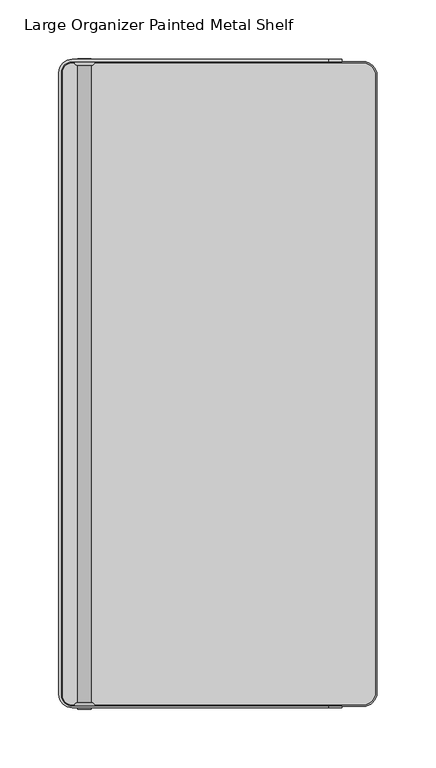
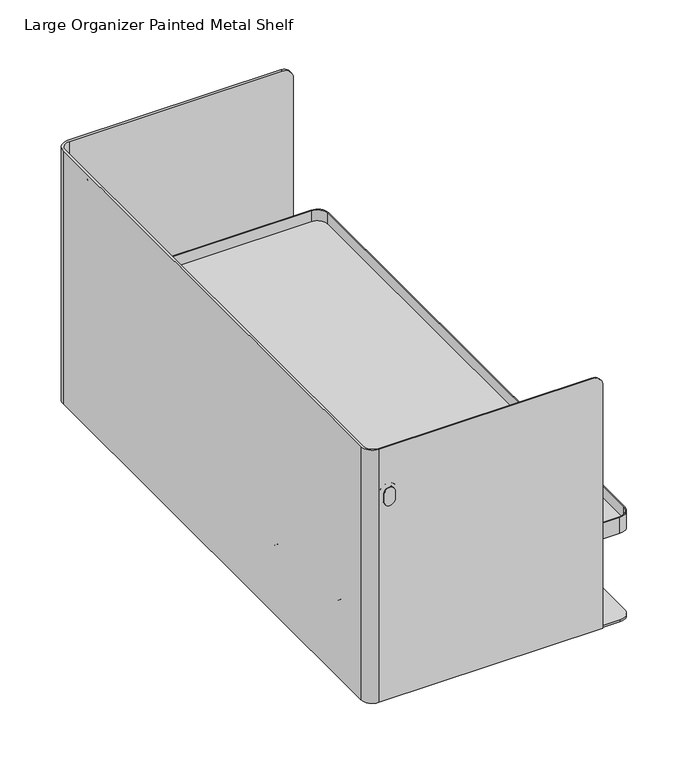
"""IFC4 building model written with IfcOpenShell, lengths in millimetres: furniture geometry, Large Organizer Painted Metal Shelf."""

from ifc_helpers import new_model, si_unit, point, frame, frame_2d, origin, place, context, project, spatial, polyline, circle_curve, ellipse_curve, trimmed, segment, composite_curve, outline, extrude, source, transform, mapped, element, save
from ifc_brep_helpers import plane_surface, cylinder_surface, revolved_surface, advanced_brep


def large_organizer_painted_metal_shelf_00564c26(model_context):
    return source(origin(), model_context, "Body", "SolidModel", [
        extrude(outline(polyline([(123.2284967, 821.563), (123.2284967, 796.163), (97.8284967, 796.163), (97.8284967, 821.563), (123.2284967, 821.563)]), holes=[composite_curve([segment(trimmed(circle_curve(frame_2d((110.5284967, 808.801192)), 6.35), [point((104.1784967, 808.801192))], [point((116.8784967, 808.801192))], True, "CARTESIAN"), True, "CONTINUOUS"), segment(trimmed(circle_curve(frame_2d((110.5284967, 808.801192)), 6.35), [point((116.8784967, 808.801192))], [point((104.1784967, 808.801192))], True, "CARTESIAN"), True, "CONTINUOUS")], self_intersect=False)]), frame((69.0558844, 0.0, 0.0), z_axis=(1.0, 0.0, 0.0), x_axis=(0.0, 1.0, 0.0)), (0.0, 0.0, 1.0), 2.3082416),
        extrude(outline(composite_curve([segment(polyline([(326.4340844, -51.8041786), (78.5808844, -51.8041786)]), True, "CONTINUOUS"), segment(trimmed(circle_curve(frame_2d((78.5808844, -42.2791786)), 9.525), [point((78.5808844, -51.8041786))], [point((69.0558844, -42.2791786))], False, "CARTESIAN"), True, "CONTINUOUS"), segment(polyline([(69.0558844, -42.2791786), (69.0558844, 487.0568214)]), True, "CONTINUOUS"), segment(trimmed(circle_curve(frame_2d((78.5808844, 487.0568214)), 9.525), [point((69.0558844, 487.0568214))], [point((78.5808844, 496.5818214))], False, "CARTESIAN"), True, "CONTINUOUS"), segment(polyline([(78.5808844, 496.5818214), (326.4340844, 496.5818214)]), True, "CONTINUOUS"), segment(trimmed(circle_curve(frame_2d((326.4340844, 485.0248214)), 11.557), [point((326.4340844, 496.5818214))], [point((337.9910844, 485.0248214))], False, "CARTESIAN"), True, "CONTINUOUS"), segment(polyline([(337.9910844, 485.0248214), (337.9910844, -40.2471786)]), True, "CONTINUOUS"), segment(trimmed(circle_curve(frame_2d((326.4340844, -40.2471786)), 11.557), [point((337.9910844, -40.2471786))], [point((326.4340844, -51.8041786))], False, "CARTESIAN"), True, "CONTINUOUS")], self_intersect=False), holes=[composite_curve([segment(polyline([(70.2286266, 487.0568214), (70.2286266, -42.2791786)]), True, "CONTINUOUS"), segment(trimmed(circle_curve(frame_2d((78.5808844, -42.2791786)), 8.3522578), [point((70.2286266, -42.2791786))], [point((78.5808844, -50.6314364))], True, "CARTESIAN"), True, "CONTINUOUS"), segment(polyline([(78.5808844, -50.6314364), (326.4340844, -50.6314364)]), True, "CONTINUOUS"), segment(trimmed(circle_curve(frame_2d((326.4340844, -40.2471786)), 10.3842578), [point((326.4340844, -50.6314364))], [point((336.8183422, -40.2471786))], True, "CARTESIAN"), True, "CONTINUOUS"), segment(polyline([(336.8183422, -40.2471786), (336.8183422, 485.0248214)]), True, "CONTINUOUS"), segment(trimmed(circle_curve(frame_2d((326.4340844, 485.0248214)), 10.3842578), [point((336.8183422, 485.0248214))], [point((326.4340844, 495.4090792))], True, "CARTESIAN"), True, "CONTINUOUS"), segment(polyline([(326.4340844, 495.4090792), (78.5808844, 495.4090792)]), True, "CONTINUOUS"), segment(trimmed(circle_curve(frame_2d((78.5808844, 487.0568214)), 8.3522578), [point((78.5808844, 495.4090792))], [point((70.2286266, 487.0568214))], True, "CARTESIAN"), True, "CONTINUOUS")], self_intersect=False)]), frame((0.0, 0.0, 837.438), z_axis=(0.0, 0.0, 1.0), x_axis=(1.0, 0.0, 0.0)), (0.0, 0.0, 1.0), 17.4752),
        extrude(outline(polyline([(321.549146, 821.563), (346.949146, 821.563), (346.949146, 796.163), (321.549146, 796.163), (321.549146, 821.563)]), holes=[composite_curve([segment(trimmed(circle_curve(frame_2d((334.249146, 808.801192)), 6.35), [point((340.599146, 808.801192))], [point((327.899146, 808.801192))], True, "CARTESIAN"), True, "CONTINUOUS"), segment(trimmed(circle_curve(frame_2d((334.249146, 808.801192)), 6.35), [point((327.899146, 808.801192))], [point((340.599146, 808.801192))], True, "CARTESIAN"), True, "CONTINUOUS")], self_intersect=False)]), frame((69.0558844, 0.0, 0.0), z_axis=(1.0, 0.0, 0.0), x_axis=(0.0, 1.0, 0.0)), (0.0, 0.0, 1.0), 2.3082416),
        extrude(outline(composite_curve([segment(trimmed(circle_curve(frame_2d((440.5248531, 833.7812317)), 3.6567683), [point((440.5248531, 837.438))], [point((444.1816214, 833.7812317))], False, "CARTESIAN"), True, "CONTINUOUS"), segment(polyline([(444.1816214, 833.7812317), (444.1816214, 825.2197683)]), True, "CONTINUOUS"), segment(trimmed(circle_curve(frame_2d((440.5248531, 825.2197683)), 3.6567683), [point((444.1816214, 825.2197683))], [point((440.5248531, 821.563))], False, "CARTESIAN"), True, "CONTINUOUS"), segment(polyline([(440.5248531, 821.563), (4.2527896, 821.563)]), True, "CONTINUOUS"), segment(trimmed(circle_curve(frame_2d((4.2527896, 825.2197683)), 3.6567683), [point((4.2527896, 821.563))], [point((0.5960214, 825.2197683))], False, "CARTESIAN"), True, "CONTINUOUS"), segment(polyline([(0.5960214, 825.2197683), (0.5960214, 833.7812317)]), True, "CONTINUOUS"), segment(trimmed(circle_curve(frame_2d((4.2527896, 833.7812317)), 3.6567683), [point((0.5960214, 833.7812317))], [point((4.2527896, 837.438))], False, "CARTESIAN"), True, "CONTINUOUS"), segment(polyline([(4.2527896, 837.438), (440.5248531, 837.438)]), True, "CONTINUOUS")], self_intersect=False)), frame((69.0558844, 0.0, 0.0), z_axis=(1.0, 0.0, 0.0), x_axis=(0.0, 1.0, 0.0)), (0.0, 0.0, 1.0), 2.3082416),
        extrude(outline(composite_curve([segment(trimmed(circle_curve(frame_2d((293.7735025, 30.9020395)), 3.9839818), [point((293.7735025, 34.8860214))], [point((297.7574844, 30.9020395))], False, "CARTESIAN"), True, "CONTINUOUS"), segment(polyline([(297.7574844, 30.9020395), (297.7574844, 4.5800032)]), True, "CONTINUOUS"), segment(trimmed(circle_curve(frame_2d((293.7735025, 4.5800032)), 3.9839818), [point((297.7574844, 4.5800032))], [point((293.7735025, 0.5960214))], False, "CARTESIAN"), True, "CONTINUOUS"), segment(polyline([(293.7735025, 0.5960214), (111.2414662, 0.5960214)]), True, "CONTINUOUS"), segment(trimmed(circle_curve(frame_2d((111.2414662, 4.5800032)), 3.9839818), [point((111.2414662, 0.5960214))], [point((107.2574844, 4.5800032))], False, "CARTESIAN"), True, "CONTINUOUS"), segment(polyline([(107.2574844, 4.5800032), (107.2574844, 30.9020395)]), True, "CONTINUOUS"), segment(trimmed(circle_curve(frame_2d((111.2414662, 30.9020395)), 3.9839818), [point((107.2574844, 30.9020395))], [point((111.2414662, 34.8860214))], False, "CARTESIAN"), True, "CONTINUOUS"), segment(polyline([(111.2414662, 34.8860214), (293.7735025, 34.8860214)]), True, "CONTINUOUS")], self_intersect=False)), frame((0.0, 0.0, 736.6), z_axis=(0.0, 0.0, 1.0), x_axis=(1.0, 0.0, 0.0)), (0.0, 0.0, 1.0), 5.08),
        extrude(outline(composite_curve([segment(polyline([(293.7735025, 409.8916214), (111.2414662, 409.8916214)]), True, "CONTINUOUS"), segment(trimmed(circle_curve(frame_2d((111.2414662, 413.8756032)), 3.9839818), [point((111.2414662, 409.8916214))], [point((107.2574844, 413.8756032))], False, "CARTESIAN"), True, "CONTINUOUS"), segment(polyline([(107.2574844, 413.8756032), (107.2574844, 440.1976395)]), True, "CONTINUOUS"), segment(trimmed(circle_curve(frame_2d((111.2414662, 440.1976395)), 3.9839818), [point((107.2574844, 440.1976395))], [point((111.2414662, 444.1816214))], False, "CARTESIAN"), True, "CONTINUOUS"), segment(polyline([(111.2414662, 444.1816214), (293.7735025, 444.1816214)]), True, "CONTINUOUS"), segment(trimmed(circle_curve(frame_2d((293.7735025, 440.1976395)), 3.9839818), [point((293.7735025, 444.1816214))], [point((297.7574844, 440.1976395))], False, "CARTESIAN"), True, "CONTINUOUS"), segment(polyline([(297.7574844, 440.1976395), (297.7574844, 413.8756032)]), True, "CONTINUOUS"), segment(trimmed(circle_curve(frame_2d((293.7735025, 413.8756032)), 3.9839818), [point((297.7574844, 413.8756032))], [point((293.7735025, 409.8916214))], False, "CARTESIAN"), True, "CONTINUOUS")], self_intersect=False)), frame((0.0, 0.0, 736.6), z_axis=(0.0, 0.0, 1.0), x_axis=(1.0, 0.0, 0.0)), (0.0, 0.0, 1.0), 5.08),
        extrude(outline(composite_curve([segment(trimmed(circle_curve(frame_2d((326.4340844, -40.2471786)), 11.557), [point((337.9910844, -40.2471786))], [point((326.4340844, -51.8041786))], False, "CARTESIAN"), True, "CONTINUOUS"), segment(polyline([(326.4340844, -51.8041786), (78.5808844, -51.8041786)]), True, "CONTINUOUS"), segment(trimmed(circle_curve(frame_2d((78.5808844, -42.2791786)), 9.525), [point((78.5808844, -51.8041786))], [point((69.0558844, -42.2791786))], False, "CARTESIAN"), True, "CONTINUOUS"), segment(polyline([(69.0558844, -42.2791786), (69.0558844, 487.0568214)]), True, "CONTINUOUS"), segment(trimmed(circle_curve(frame_2d((78.5808844, 487.0568214)), 9.525), [point((69.0558844, 487.0568214))], [point((78.5808844, 496.5818214))], False, "CARTESIAN"), True, "CONTINUOUS"), segment(polyline([(78.5808844, 496.5818214), (326.4340844, 496.5818214)]), True, "CONTINUOUS"), segment(trimmed(circle_curve(frame_2d((326.4340844, 485.0248214)), 11.557), [point((326.4340844, 496.5818214))], [point((337.9910844, 485.0248214))], False, "CARTESIAN"), True, "CONTINUOUS"), segment(polyline([(337.9910844, 485.0248214), (337.9910844, -40.2471786)]), True, "CONTINUOUS")], self_intersect=False)), frame((0.0, 0.0, 741.68), z_axis=(0.0, 0.0, 1.0), x_axis=(1.0, 0.0, 0.0)), (0.0, 0.0, 1.0), 2.032),
        advanced_brep(
        [(83.3751344, 493.4947261, 957.99275), (83.3751344, 496.5818214, 957.99275), (80.2880391, 496.5818214, 957.99275), (94.8051344, 496.5818214, 957.99275), (94.8051344, 493.4947261, 957.99275), (97.8922296, 496.5818214, 957.99275), (94.8051344, 496.5818214, 965.86675), (83.3751344, 496.5818214, 965.86675), (80.2880391, 496.5818214, 965.86675), (97.8922296, 496.5818214, 965.86675), (94.8051344, 493.4947261, 965.86675), (83.3751344, 493.4947261, 965.86675)],
        [
            (0, 1),
            (1, 2),
            (2, 0, circle_curve(frame((83.3751344, 496.5818214, 957.99275), z_axis=(0.0, 0.0, 1.0), x_axis=(-1.0, 0.0, 0.0)), 3.0870953)),
            (3, 1, circle_curve(frame((89.0901344, 496.5818214, 957.99275), z_axis=(0.0, 1.0, 0.0), x_axis=(-1.0, 0.0, 0.0)), 5.715)),
            (0, 4, circle_curve(frame((89.0901344, 493.4947261, 957.99275), z_axis=(0.0, -1.0, 0.0), x_axis=(-1.0, 0.0, 0.0)), 5.715)),
            (4, 3),
            (5, 2, circle_curve(frame((89.0901344, 496.5818214, 957.99275), z_axis=(0.0, 1.0, 0.0), x_axis=(-1.0, 0.0, 0.0)), 8.8020953)),
            (3, 6),
            (6, 7, circle_curve(frame((89.0901344, 496.5818214, 965.86675), z_axis=(0.0, -1.0, 0.0), x_axis=(1.0, 0.0, 0.0)), 5.715)),
            (7, 8),
            (8, 9, circle_curve(frame((89.0901344, 496.5818214, 965.86675), z_axis=(0.0, 1.0, 0.0), x_axis=(1.0, 0.0, 0.0)), 8.8020953)),
            (9, 5),
            (5, 4, circle_curve(frame((94.8051344, 496.5818214, 957.99275), z_axis=(0.0, 0.0, -1.0), x_axis=(1.0, 0.0, 0.0)), 3.0870953)),
            (4, 10),
            (10, 6),
            (9, 10, circle_curve(frame((94.8051344, 496.5818214, 965.86675), z_axis=(0.0, 0.0, -1.0), x_axis=(1.0, 0.0, 0.0)), 3.0870953)),
            (11, 8, circle_curve(frame((83.3751344, 496.5818214, 965.86675), z_axis=(0.0, 0.0, -1.0), x_axis=(-1.0, 0.0, 0.0)), 3.0870953)),
            (7, 11),
            (10, 11, circle_curve(frame((89.0901344, 493.4947261, 965.86675), z_axis=(0.0, -1.0, 0.0), x_axis=(1.0, 0.0, 0.0)), 5.715)),
        ],
        [
            plane_surface(frame((83.3751344, 496.5818214, 957.99275), z_axis=(0.0, 0.0, 1.0), x_axis=(0.0, 1.0, 0.0))),
            revolved_surface(polyline([(83.3751344, 493.4947261, 957.99275), (83.3751344, 496.5818214, 957.99275)]), (89.0901344, 496.5818214, 957.99275), (0.0, -1.0, 0.0)),
            plane_surface(frame((89.0901344, 496.5818214, 957.99275), z_axis=(0.0, 1.0, 0.0), x_axis=(-1.0, 0.0, 0.0))),
            revolved_surface(trimmed(ellipse_curve(frame((83.3751344, 496.5818214, 957.99275), z_axis=(0.0, 0.0, 1.0), x_axis=(-1.0, 0.0, 0.0)), 3.0870953, 3.0870953), [point((80.2880391, 496.5818214, 957.99275))], [point((83.3751344, 493.4947261, 957.99275))], True, "CARTESIAN"), (89.0901344, 496.5818214, 957.99275), (0.0, -1.0, 0.0)),
            plane_surface(frame((94.8051344, 493.4947261, 957.99275), z_axis=(-1.0, 0.0, 0.0), x_axis=(0.0, 0.0, 1.0))),
            cylinder_surface(frame((94.8051344, 496.5818214, 957.99275), z_axis=(0.0, 0.0, -1.0), x_axis=(1.0, 0.0, 0.0)), 3.0870953),
            plane_surface(frame((83.3751344, 496.5818214, 965.86675), z_axis=(0.0, 0.0, -1.0), x_axis=(0.0, 1.0, 0.0))),
            revolved_surface(polyline([(94.8051344, 493.4947261, 965.86675), (94.8051344, 496.5818214, 965.86675)]), (89.0901344, 496.5818214, 965.86675), (0.0, -1.0, 0.0)),
            revolved_surface(trimmed(ellipse_curve(frame((94.8051344, 496.5818214, 965.86675), z_axis=(0.0, 0.0, -1.0), x_axis=(1.0, 0.0, 0.0)), 3.0870953, 3.0870953), [point((97.8922296, 496.5818214, 965.86675))], [point((94.8051344, 493.4947261, 965.86675))], True, "CARTESIAN"), (89.0901344, 496.5818214, 965.86675), (0.0, -1.0, 0.0)),
        ],
        [
            (0, [[1, 2, 3]]),
            (1, [[4, -1, 5, 6]]),
            (2, [[7, -2, -4, 8, 9, 10, 11, 12]]),
            (3, [[-5, -3, -7, 13]]),
            (4, [[-6, 14, 15, -8]]),
            (5, [[-13, -12, 16, -14]]),
            (6, [[17, -10, 18]]),
            (7, [[-9, -15, 19, -18]]),
            (8, [[-19, -16, -11, -17]]),
        ],
    ),
        advanced_brep(
        [(80.2878455, -51.8041786, 965.86675), (83.3751344, -48.7168897, 965.86675), (83.3751344, -51.8041786, 965.86675), (94.8051344, -51.8041786, 965.86675), (94.8051344, -48.7168897, 965.86675), (97.8924233, -51.8041786, 965.86675), (94.8051344, -51.8041786, 957.99275), (83.3751344, -51.8041786, 957.99275), (80.2878455, -51.8041786, 957.99275), (97.8924233, -51.8041786, 957.99275), (94.8051344, -48.7168897, 957.99275), (83.3751344, -48.7168897, 957.99275)],
        [
            (0, 1, circle_curve(frame((83.3751344, -51.8041786, 965.86675), z_axis=(0.0, 0.0, -1.0), x_axis=(-1.0, 0.0, 0.0)), 3.0872889)),
            (1, 2),
            (2, 0),
            (3, 2, circle_curve(frame((89.0901344, -51.8041786, 965.86675), z_axis=(0.0, -1.0, 0.0), x_axis=(-1.0, 0.0, 0.0)), 5.715)),
            (1, 4, circle_curve(frame((89.0901344, -48.7168897, 965.86675), z_axis=(0.0, 1.0, 0.0), x_axis=(-1.0, 0.0, 0.0)), 5.715)),
            (4, 3),
            (5, 0, circle_curve(frame((89.0901344, -51.8041786, 965.86675), z_axis=(0.0, -1.0, 0.0), x_axis=(-1.0, 0.0, 0.0)), 8.8022889)),
            (3, 6),
            (6, 7, circle_curve(frame((89.0901344, -51.8041786, 957.99275), z_axis=(0.0, 1.0, 0.0), x_axis=(1.0, 0.0, 0.0)), 5.715)),
            (7, 8),
            (8, 9, circle_curve(frame((89.0901344, -51.8041786, 957.99275), z_axis=(0.0, -1.0, 0.0), x_axis=(1.0, 0.0, 0.0)), 8.8022889)),
            (9, 5),
            (4, 10),
            (10, 6),
            (7, 11),
            (11, 8, circle_curve(frame((83.3751344, -51.8041786, 957.99275), z_axis=(0.0, 0.0, 1.0), x_axis=(-1.0, 0.0, 0.0)), 3.0872889)),
            (10, 11, circle_curve(frame((89.0901344, -48.7168897, 957.99275), z_axis=(0.0, 1.0, 0.0), x_axis=(1.0, 0.0, 0.0)), 5.715)),
            (5, 4, circle_curve(frame((94.8051344, -51.8041786, 965.86675), z_axis=(0.0, 0.0, 1.0), x_axis=(1.0, 0.0, 0.0)), 3.0872889)),
            (9, 10, circle_curve(frame((94.8051344, -51.8041786, 957.99275), z_axis=(0.0, 0.0, 1.0), x_axis=(1.0, 0.0, 0.0)), 3.0872889)),
        ],
        [
            plane_surface(frame((83.3751344, -51.8041786, 965.86675), z_axis=(0.0, 0.0, -1.0), x_axis=(0.0, -1.0, 0.0))),
            revolved_surface(polyline([(83.3751344, -48.7168897, 965.86675), (83.3751344, -51.8041786, 965.86675)]), (89.0901344, -51.8041786, 965.86675), (0.0, 1.0, 0.0)),
            plane_surface(frame((89.0901344, -51.8041786, 965.86675), z_axis=(0.0, -1.0, 0.0), x_axis=(-1.0, 0.0, 0.0))),
            plane_surface(frame((94.8051344, -48.7168897, 965.86675), z_axis=(-1.0, 0.0, 0.0), x_axis=(0.0, 0.0, -1.0))),
            plane_surface(frame((83.3751344, -51.8041786, 957.99275), z_axis=(0.0, 0.0, 1.0), x_axis=(0.0, -1.0, 0.0))),
            revolved_surface(polyline([(94.8051344, -48.7168897, 957.99275), (94.8051344, -51.8041786, 957.99275)]), (89.0901344, -51.8041786, 957.99275), (0.0, 1.0, 0.0)),
            revolved_surface(trimmed(ellipse_curve(frame((83.3751344, -51.8041786, 965.86675), z_axis=(0.0, 0.0, -1.0), x_axis=(-1.0, 0.0, 0.0)), 3.0872889, 3.0872889), [point((80.2878455, -51.8041786, 965.86675))], [point((83.3751344, -48.7168897, 965.86675))], True, "CARTESIAN"), (89.0901344, -51.8041786, 965.86675), (0.0, 1.0, 0.0)),
            cylinder_surface(frame((94.8051344, -51.8041786, 965.86675), z_axis=(0.0, 0.0, 1.0), x_axis=(1.0, 0.0, 0.0)), 3.0872889),
            revolved_surface(trimmed(ellipse_curve(frame((94.8051344, -51.8041786, 957.99275), z_axis=(0.0, 0.0, 1.0), x_axis=(1.0, 0.0, 0.0)), 3.0872889, 3.0872889), [point((97.8924233, -51.8041786, 957.99275))], [point((94.8051344, -48.7168897, 957.99275))], True, "CARTESIAN"), (89.0901344, -51.8041786, 957.99275), (0.0, 1.0, 0.0)),
        ],
        [
            (0, [[1, 2, 3]]),
            (1, [[4, -2, 5, 6]]),
            (2, [[7, -3, -4, 8, 9, 10, 11, 12]]),
            (3, [[-6, 13, 14, -8]]),
            (4, [[-10, 15, 16]]),
            (5, [[-9, -14, 17, -15]]),
            (6, [[-5, -1, -7, 18]]),
            (7, [[-18, -12, 19, -13]]),
            (8, [[-17, -19, -11, -16]]),
        ],
    ),
        extrude(outline(composite_curve([segment(trimmed(circle_curve(frame_2d((965.86675, 89.0901344)), 5.715), [point((965.86675, 94.8051344))], [point((965.86675, 83.3751344))], False, "CARTESIAN"), True, "CONTINUOUS"), segment(polyline([(965.86675, 83.3751344), (957.99275, 83.3751344)]), True, "CONTINUOUS"), segment(trimmed(circle_curve(frame_2d((957.99275, 89.0901344)), 5.715), [point((957.99275, 83.3751344))], [point((957.99275, 94.8051344))], False, "CARTESIAN"), True, "CONTINUOUS"), segment(polyline([(957.99275, 94.8051344), (965.86675, 94.8051344)]), True, "CONTINUOUS")], self_intersect=False)), frame((0.0, -54.2806595, 0.0), z_axis=(0.0, 1.0, 0.0), x_axis=(0.0, 0.0, 1.0)), (0.0, 0.0, 1.0), 0.8889618),
        extrude(outline(composite_curve([segment(trimmed(circle_curve(frame_2d((965.86675, 89.0901344)), 5.715), [point((965.86675, 94.8051344))], [point((965.86675, 83.3751344))], False, "CARTESIAN"), True, "CONTINUOUS"), segment(polyline([(965.86675, 83.3751344), (957.99275, 83.3751344)]), True, "CONTINUOUS"), segment(trimmed(circle_curve(frame_2d((957.99275, 89.0901344)), 5.715), [point((957.99275, 83.3751344))], [point((957.99275, 94.8051344))], False, "CARTESIAN"), True, "CONTINUOUS"), segment(polyline([(957.99275, 94.8051344), (965.86675, 94.8051344)]), True, "CONTINUOUS")], self_intersect=False)), frame((0.0, 498.1693405, 0.0), z_axis=(0.0, 1.0, 0.0), x_axis=(0.0, 0.0, 1.0)), (0.0, 0.0, 1.0), 0.8889618),
        extrude(outline(composite_curve([segment(trimmed(circle_curve(frame_2d((965.86675, 89.0901344)), 5.715), [point((965.86675, 94.8051344))], [point((965.86675, 83.3751344))], False, "CARTESIAN"), True, "CONTINUOUS"), segment(polyline([(965.86675, 83.3751344), (963.96175, 83.3751344), (963.96175, 84.4030979)]), True, "CONTINUOUS"), segment(trimmed(circle_curve(frame_2d((963.1259254, 84.4030979)), 0.8358246), [point((963.96175, 84.4030979))], [point((963.1259254, 85.2389224))], True, "CARTESIAN"), True, "CONTINUOUS"), segment(polyline([(963.1259254, 85.2389224), (960.7335746, 85.2389224)]), True, "CONTINUOUS"), segment(trimmed(circle_curve(frame_2d((960.7335746, 84.4030979)), 0.8358246), [point((960.7335746, 85.2389224))], [point((959.89775, 84.4030979))], True, "CARTESIAN"), True, "CONTINUOUS"), segment(polyline([(959.89775, 84.4030979), (959.89775, 83.3751344), (957.99275, 83.3751344)]), True, "CONTINUOUS"), segment(trimmed(circle_curve(frame_2d((957.99275, 89.0901344)), 5.715), [point((957.99275, 83.3751344))], [point((957.99275, 94.8051344))], False, "CARTESIAN"), True, "CONTINUOUS"), segment(polyline([(957.99275, 94.8051344), (965.86675, 94.8051344)]), True, "CONTINUOUS")], self_intersect=False), holes=[composite_curve([segment(polyline([(964.8722944, 85.2293344), (965.86675, 85.2293344)]), True, "CONTINUOUS"), segment(trimmed(circle_curve(frame_2d((965.86675, 89.0901344)), 3.8608), [point((965.86675, 85.2293344))], [point((965.86675, 92.9509344))], True, "CARTESIAN"), True, "CONTINUOUS"), segment(polyline([(965.86675, 92.9509344), (957.99275, 92.9509344)]), True, "CONTINUOUS"), segment(trimmed(circle_curve(frame_2d((957.99275, 89.0901344)), 3.8608), [point((957.99275, 92.9509344))], [point((957.99275, 85.2293344))], True, "CARTESIAN"), True, "CONTINUOUS"), segment(polyline([(957.99275, 85.2293344), (958.9872056, 85.2293344), (958.9872056, 87.0931224), (964.8722944, 87.0931224), (964.8722944, 85.2293344)]), True, "CONTINUOUS")], self_intersect=False)]), frame((0.0, -51.8041786, 0.0), z_axis=(0.0, 1.0, 0.0), x_axis=(0.0, 0.0, 1.0)), (0.0, 0.0, 1.0), 548.386),
        advanced_brep(
        [(78.5808844, 498.6138214, 1016.0), (67.0238844, 487.0568214, 1016.0), (67.0238844, -41.3902168, 1016.0), (78.5808844, -52.9472168, 1016.0), (296.7668844, -52.9472168, 1016.0), (296.7668844, -51.8041786, 1016.0), (78.5808844, -51.8041786, 1016.0), (69.0558844, -42.2791786, 1016.0), (69.0558844, 487.0568214, 1016.0), (78.5808844, 496.5818214, 1016.0), (296.7668844, 496.5818214, 1016.0), (296.7668844, 498.6138214, 1016.0), (308.3238844, 496.5818214, 741.68), (78.5808844, 496.5818214, 741.68), (69.0558844, 487.0568214, 741.68), (69.0558844, -42.2791786, 741.68), (78.5808844, -51.8041786, 741.68), (308.3238844, -51.8041786, 741.68), (308.3238844, -52.9472168, 741.68), (78.5808844, -52.9472168, 741.68), (67.0238844, -41.3902168, 741.68), (67.0238844, 487.0568214, 741.68), (78.5808844, 498.6138214, 741.68), (308.3238844, 498.6138214, 741.68), (308.3238844, 498.6138214, 1004.443), (308.3238844, 496.5818214, 1004.443), (308.3238844, -52.9472168, 1004.443), (308.3238844, -51.8041786, 1004.443)],
        [
            (0, 1, circle_curve(frame((78.5808844, 487.0568214, 1016.0), z_axis=(0.0, 0.0, 1.0), x_axis=(0.0, 1.0, 0.0)), 11.557)),
            (1, 2),
            (2, 3, circle_curve(frame((78.5808844, -41.3902168, 1016.0), z_axis=(0.0, 0.0, 1.0), x_axis=(0.0, 1.0, 0.0)), 11.557)),
            (3, 4),
            (4, 5),
            (5, 6),
            (6, 7, circle_curve(frame((78.5808844, -42.2791786, 1016.0), z_axis=(0.0, 0.0, -1.0), x_axis=(0.0, 1.0, 0.0)), 9.525)),
            (7, 8),
            (8, 9, circle_curve(frame((78.5808844, 487.0568214, 1016.0), z_axis=(0.0, 0.0, -1.0), x_axis=(0.0, 1.0, 0.0)), 9.525)),
            (9, 10),
            (10, 11),
            (11, 0),
            (12, 13),
            (13, 14, circle_curve(frame((78.5808844, 487.0568214, 741.68), z_axis=(0.0, 0.0, 1.0), x_axis=(0.0, 1.0, 0.0)), 9.525)),
            (14, 15),
            (15, 16, circle_curve(frame((78.5808844, -42.2791786, 741.68), z_axis=(0.0, 0.0, 1.0), x_axis=(0.0, 1.0, 0.0)), 9.525)),
            (16, 17),
            (17, 18),
            (18, 19),
            (19, 20, circle_curve(frame((78.5808844, -41.3902168, 741.68), z_axis=(0.0, 0.0, -1.0), x_axis=(0.0, 1.0, 0.0)), 11.557)),
            (20, 21),
            (21, 22, circle_curve(frame((78.5808844, 487.0568214, 741.68), z_axis=(0.0, 0.0, -1.0), x_axis=(0.0, 1.0, 0.0)), 11.557)),
            (22, 23),
            (23, 12),
            (23, 24),
            (24, 25),
            (25, 12),
            (22, 0),
            (11, 24, circle_curve(frame((296.7668844, 498.6138214, 1004.443), z_axis=(0.0, 1.0, 0.0), x_axis=(-1.0, 0.0, 0.0)), 11.557)),
            (21, 1),
            (20, 2),
            (19, 3),
            (18, 26),
            (26, 4, circle_curve(frame((296.7668844, -52.9472168, 1004.443), z_axis=(0.0, -1.0, 0.0), x_axis=(-1.0, 0.0, 0.0)), 11.557)),
            (17, 27),
            (27, 26),
            (16, 6),
            (5, 27, circle_curve(frame((296.7668844, -51.8041786, 1004.443), z_axis=(0.0, 1.0, 0.0), x_axis=(-1.0, 0.0, 0.0)), 11.557)),
            (15, 7),
            (14, 8),
            (13, 9),
            (25, 10, circle_curve(frame((296.7668844, 496.5818214, 1004.443), z_axis=(0.0, -1.0, 0.0), x_axis=(-1.0, 0.0, 0.0)), 11.557)),
        ],
        [
            plane_surface(frame((308.3238844, 498.6138214, 1016.0), z_axis=(0.0, 0.0, 1.0), x_axis=(0.0, 1.0, 0.0))),
            plane_surface(frame((308.3238844, 498.6138214, 741.68), z_axis=(0.0, 0.0, -1.0), x_axis=(0.0, -1.0, 0.0))),
            plane_surface(frame((308.3238844, 496.5818214, 1016.0), z_axis=(1.0, 0.0, 0.0), x_axis=(0.0, 0.0, -1.0))),
            plane_surface(frame((308.3238844, 498.6138214, 1016.0), z_axis=(0.0, 1.0, 0.0), x_axis=(0.0, 0.0, -1.0))),
            cylinder_surface(frame((78.5808844, 487.0568214, 741.68), z_axis=(0.0, 0.0, 1.0), x_axis=(0.0, 1.0, 0.0)), 11.557),
            plane_surface(frame((67.0238844, 487.0568214, 1016.0), z_axis=(-1.0, 0.0, 0.0), x_axis=(0.0, 0.0, -1.0))),
            cylinder_surface(frame((78.5808844, -41.3902168, 741.68), z_axis=(0.0, 0.0, 1.0), x_axis=(0.0, 1.0, 0.0)), 11.557),
            plane_surface(frame((78.5808844, -52.9472168, 1016.0), z_axis=(0.0, -1.0, 0.0), x_axis=(0.0, 0.0, -1.0))),
            plane_surface(frame((308.3238844, -52.9472168, 1016.0), z_axis=(1.0, 0.0, 0.0), x_axis=(0.0, 0.0, -1.0))),
            plane_surface(frame((308.3238844, -51.8041786, 1016.0), z_axis=(0.0, 1.0, 0.0), x_axis=(0.0, 0.0, -1.0))),
            revolved_surface(polyline([(78.5808844, -32.7541786, 741.68), (78.5808844, -32.7541786, 1016.0)]), (78.5808844, -42.2791786, 741.68), (0.0, 0.0, -1.0)),
            plane_surface(frame((69.0558844, -42.2791786, 1016.0), z_axis=(1.0, 0.0, 0.0), x_axis=(0.0, 0.0, -1.0))),
            revolved_surface(polyline([(78.5808844, 496.58182139999997, 741.68), (78.5808844, 496.58182139999997, 1016.0)]), (78.5808844, 487.0568214, 741.68), (0.0, 0.0, -1.0)),
            plane_surface(frame((78.5808844, 496.5818214, 1016.0), z_axis=(0.0, -1.0, 0.0), x_axis=(0.0, 0.0, -1.0))),
            cylinder_surface(frame((296.7668844, -53.8361786, 1004.443), z_axis=(0.0, -1.0, 0.0), x_axis=(-1.0, 0.0, 0.0)), 11.557),
        ],
        [
            (0, [[1, 2, 3, 4, 5, 6, 7, 8, 9, 10, 11, 12]]),
            (1, [[13, 14, 15, 16, 17, 18, 19, 20, 21, 22, 23, 24]]),
            (2, [[-24, 25, 26, 27]]),
            (3, [[-23, 28, -12, 29, -25]]),
            (4, [[-1, -28, -22, 30]]),
            (5, [[-2, -30, -21, 31]]),
            (6, [[-3, -31, -20, 32]]),
            (7, [[-19, 33, 34, -4, -32]]),
            (8, [[-18, 35, 36, -33]]),
            (9, [[-17, 37, -6, 38, -35]]),
            (10, [[-7, -37, -16, 39]]),
            (11, [[-8, -39, -15, 40]]),
            (12, [[-9, -40, -14, 41]]),
            (13, [[-13, -27, 42, -10, -41]]),
            (14, [[-5, -34, -36, -38]]),
            (14, [[-11, -42, -26, -29]]),
        ],
    ),
        extrude(outline(composite_curve([segment(trimmed(circle_curve(frame_2d((78.5808844, 487.0568214)), 8.763), [point((69.8178844, 487.0568214))], [point((78.5808844, 495.8198214))], False, "CARTESIAN"), True, "CONTINUOUS"), segment(polyline([(78.5808844, 495.8198214), (326.4340844, 495.8198214)]), True, "CONTINUOUS"), segment(trimmed(circle_curve(frame_2d((326.4340844, 485.0248214)), 10.795), [point((326.4340844, 495.8198214))], [point((337.2290844, 485.0248214))], False, "CARTESIAN"), True, "CONTINUOUS"), segment(polyline([(337.2290844, 485.0248214), (337.2290844, -40.2471786)]), True, "CONTINUOUS"), segment(trimmed(circle_curve(frame_2d((326.4340844, -40.2471786)), 10.795), [point((337.2290844, -40.2471786))], [point((326.4340844, -51.0421786))], False, "CARTESIAN"), True, "CONTINUOUS"), segment(polyline([(326.4340844, -51.0421786), (78.5808844, -51.0421786)]), True, "CONTINUOUS"), segment(trimmed(circle_curve(frame_2d((78.5808844, -42.2791786)), 8.763), [point((78.5808844, -51.0421786))], [point((69.8178844, -42.2791786))], False, "CARTESIAN"), True, "CONTINUOUS"), segment(polyline([(69.8178844, -42.2791786), (69.8178844, 487.0568214)]), True, "CONTINUOUS")], self_intersect=False)), frame((0.0, 0.0, 841.53375), z_axis=(0.0, 0.0, 1.0), x_axis=(1.0, 0.0, 0.0)), (0.0, 0.0, 1.0), 2.032),
    ])


if __name__ == "__main__":
    model = new_model("IFC4")
    model_context = context("Model", 3, world=origin())
    ifc_project = project(units=[si_unit("LENGTHUNIT", "METRE", prefix="MILLI")], contexts=[model_context])
    site = spatial("IfcSite", under=ifc_project)
    building = spatial("IfcBuilding", under=site)
    placement = place(None, origin())
    large_organizer_painted_metal_shelf_shape = large_organizer_painted_metal_shelf_00564c26(model_context)
    element("IfcFurniture", 1, ObjectType="Large Organizer Painted Metal Shelf", at=placement, inside=building, context=model_context, shape_type="MappedRepresentation", body=[
        mapped(large_organizer_painted_metal_shelf_shape, transform((0.0, 0.0, 0.0), x_axis=(1.0, 0.0, 0.0), y_axis=(0.0, 1.0, 0.0), z_axis=(0.0, 0.0, 1.0))),
    ])
    save(model, "model.ifc")
